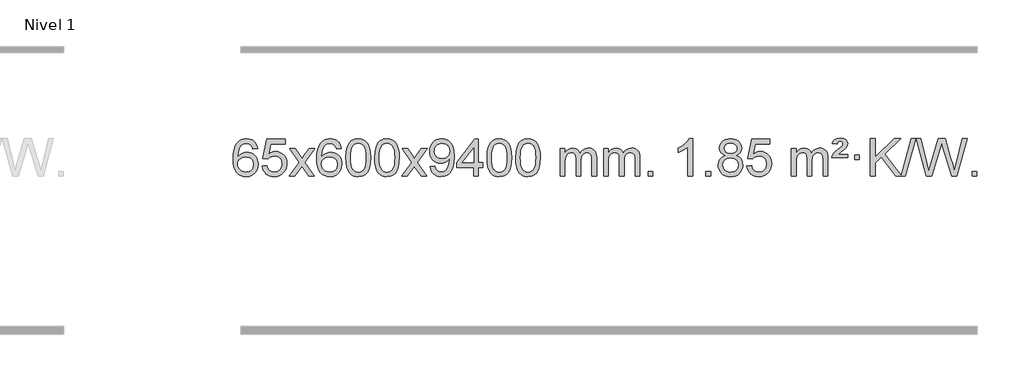
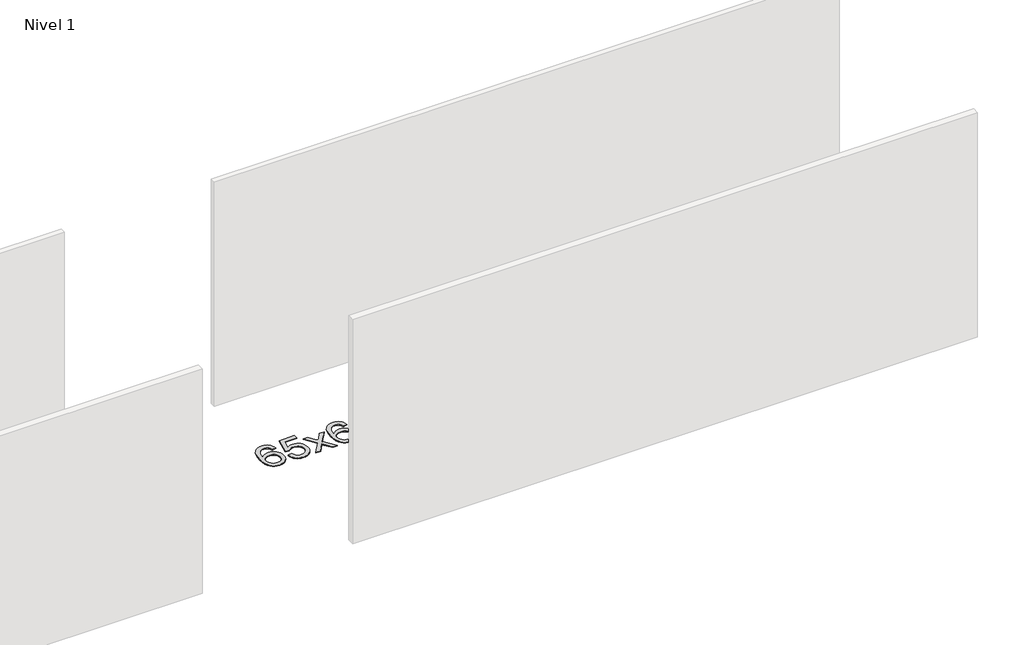
# One storey, part 9 of 12: 1 proxy.
"""IFC4 building model written with IfcOpenShell, lengths in millimetres."""

from ifc_helpers import new_model, si_unit, origin, origin_with_axes, place, context, project, spatial, polyline, outline, extrude, element, save

model = new_model("IFC4")

# Units and contexts
model_context = context("Model", 3, world=origin())
ifc_project = project(units=[si_unit("LENGTHUNIT", "METRE", prefix="MILLI")], contexts=[model_context])

# Site, building, storey
site = spatial("IfcSite", under=ifc_project)
building = spatial("IfcBuilding", under=site)
storey = spatial("IfcBuildingStorey", under=building, Name="Nivel 1", Elevation=0.0)

# Proxy
placement = place(None, origin())
element("IfcBuildingElementProxy", 1, Name="Texto de modelo 1", ObjectType="Texto de modelo 1", at=placement, inside=storey, context=model_context, shape_type="SweptSolid", body=[
    extrude(outline(polyline([(-1652.5741406, -3100.4890419), (-1702.8022957, -3106.7675613), (-1710.8956996, -3081.874213), (-1721.8340576, -3064.8780648), (-1744.6182158, -3049.2062918), (-1772.1603145, -3043.9823675), (-1795.5085585, -3047.0235253), (-1817.4833763, -3056.1469988), (-1836.3557227, -3075.3627017), (-1851.7699783, -3101.8134171), (-1862.1810387, -3139.227016), (-1866.0437997, -3191.3313693), (-1845.8961291, -3167.8237098), (-1821.7508075, -3151.2567573), (-1794.9567355, -3141.434308), (-1766.8628138, -3138.1601582), (-1742.7297549, -3140.398107), (-1720.4606315, -3147.1119534), (-1700.0554435, -3158.3016975), (-1681.5141909, -3173.9673391), (-1666.1060667, -3193.1769106), (-1655.1002637, -3214.9984443), (-1648.4967818, -3239.4319401), (-1646.2956212, -3266.4773982), (-1650.440425, -3302.4439945), (-1662.8748365, -3335.786366), (-1682.568786, -3364.0642287), (-1708.4922039, -3384.8372987), (-1739.4678679, -3397.602804), (-1774.3185556, -3401.8579724), (-1804.2610843, -3399.0375437), (-1831.3034766, -3390.5762579), (-1855.4457325, -3376.4741147), (-1876.6878521, -3356.7311143), (-1894.005897, -3330.5133908), (-1906.3759291, -3296.9870783), (-1913.7979483, -3256.1521768), (-1916.2719548, -3208.0086864), (-1913.5251025, -3154.0342663), (-1905.2845458, -3107.9693092), (-1891.5502847, -3069.8138149), (-1872.3223191, -3039.5677835), (-1851.481804, -3019.5243462), (-1827.3180883, -3005.2076052), (-1799.8311719, -2996.6175606), (-1769.0210548, -2993.7542124), (-1745.8874087, -2995.5261773), (-1724.9487918, -3000.8420722), (-1706.2052042, -3009.7018969), (-1689.6566457, -3022.1056515), (-1675.7507063, -3037.6364031), (-1664.9349757, -3055.8772186), (-1657.2094538, -3076.8280983), (-1652.5741406, -3100.4890419)]), holes=[polyline([(-1866.0437997, -3265.6925832), (-1863.1375319, -3287.9494439), (-1854.4187286, -3309.2007605), (-1840.8806712, -3327.472233), (-1823.516641, -3340.7895612), (-1802.5596301, -3348.9197533), (-1778.2426302, -3351.6298173), (-1745.0964624, -3346.0134855), (-1731.1813259, -3338.9930708), (-1719.0381544, -3329.1644901), (-1709.188114, -3316.9262824), (-1702.1523708, -3302.6769865), (-1696.5237763, -3268.1451299), (-1702.0787944, -3234.9989621), (-1709.0225671, -3221.3781312), (-1718.7438488, -3209.725469), (-1730.9238085, -3200.3904634), (-1745.2436152, -3193.7226022), (-1780.3027693, -3188.3883133), (-1813.3998862, -3193.7226022), (-1841.0768749, -3209.725469), (-1851.9999045, -3221.2248471), (-1859.8020685, -3234.3858254), (-1864.4833669, -3249.2084042), (-1866.0437997, -3265.6925832)])]), origin_with_axes(), (0.0, 0.0, 1.0), 10.0),
    extrude(outline(polyline([(-1602.3459855, -3288.8446235), (-1552.1178305, -3282.5661041), (-1542.8962551, -3312.7201649), (-1526.8075492, -3334.3148381), (-1503.9252891, -3347.3010725), (-1474.3230512, -3351.6298173), (-1455.1931875, -3350.1245668), (-1438.3196666, -3345.6088153), (-1423.7024887, -3338.0825628), (-1411.3416537, -3327.5458094), (-1401.513073, -3314.519721), (-1394.4926583, -3299.5254641), (-1388.8763265, -3263.6324441), (-1394.137039, -3229.8363514), (-1400.7129297, -3215.9181493), (-1409.9191766, -3203.9865099), (-1421.7864366, -3194.4154467), (-1436.3453666, -3187.5789729), (-1473.5382363, -3182.1097939), (-1497.9042871, -3184.2925604), (-1517.6350248, -3190.8408599), (-1533.3926369, -3200.8717757), (-1545.8393111, -3213.5023908), (-1596.0674662, -3207.2238715), (-1552.1178305, -3000.0327318), (-1357.4837296, -3000.0327318), (-1357.4837296, -3050.2608869), (-1511.5036582, -3050.2608869), (-1532.9879667, -3160.919791), (-1515.2621859, -3148.2155994), (-1497.1072095, -3139.1411769), (-1478.5230373, -3133.6965234), (-1459.5096696, -3131.8816388), (-1435.0485826, -3134.1318504), (-1412.5801897, -3140.882485), (-1392.104491, -3152.1335427), (-1373.6214864, -3167.8850234), (-1358.3206611, -3187.1743027), (-1347.3915002, -3209.038756), (-1340.8340036, -3233.4783832), (-1338.6481714, -3260.4931844), (-1340.6163401, -3286.5147042), (-1346.5208461, -3310.7213394), (-1356.3616895, -3333.1130902), (-1370.1388702, -3353.6899565), (-1391.0100421, -3374.7634634), (-1415.3638301, -3389.8159684), (-1443.2002344, -3398.8474714), (-1474.519255, -3401.8579724), (-1500.4396072, -3399.9235262), (-1523.8522305, -3394.1201877), (-1544.7571249, -3384.447957), (-1563.1542903, -3370.9068338), (-1578.461247, -3354.1712688), (-1590.0955151, -3334.915712), (-1598.0570946, -3313.1401636), (-1602.3459855, -3288.8446235)])), origin_with_axes(), (0.0, 0.0, 1.0), 10.0),
    extrude(outline(polyline([(-1313.5340939, -3395.579453), (-1206.2106531, -3247.2494325), (-1307.2555745, -3100.4890419), (-1246.8248254, -3100.4890419), (-1198.0681983, -3171.122385), (-1175.3085655, -3204.4770192), (-1155.5900906, -3177.2047007), (-1100.0644348, -3100.4890419), (-1039.6336857, -3100.4890419), (-1145.7799041, -3247.2494325), (-1043.5577603, -3395.579453), (-1103.9885094, -3395.579453), (-1165.498379, -3306.4048574), (-1176.7800935, -3290.1199477), (-1253.1033448, -3395.579453), (-1313.5340939, -3395.579453)])), origin_with_axes(), (0.0, 0.0, 1.0), 10.0),
    extrude(outline(polyline([(-754.7458687, -3100.4890419), (-804.9740237, -3106.7675613), (-813.0674276, -3081.874213), (-824.0057856, -3064.8780648), (-846.7899439, -3049.2062918), (-874.3320426, -3043.9823675), (-897.6802865, -3047.0235253), (-919.6551044, -3056.1469988), (-938.5274507, -3075.3627017), (-953.9417063, -3101.8134171), (-964.3527668, -3139.227016), (-968.2155277, -3191.3313693), (-948.0678571, -3167.8237098), (-923.9225355, -3151.2567573), (-897.1284635, -3141.434308), (-869.0345418, -3138.1601582), (-844.9014829, -3140.398107), (-822.6323595, -3147.1119534), (-802.2271715, -3158.3016975), (-783.6859189, -3173.9673391), (-768.2777947, -3193.1769106), (-757.2719917, -3214.9984443), (-750.6685099, -3239.4319401), (-748.4673493, -3266.4773982), (-752.6121531, -3302.4439945), (-765.0465645, -3335.786366), (-784.740514, -3364.0642287), (-810.6639319, -3384.8372987), (-841.6395959, -3397.602804), (-876.4902836, -3401.8579724), (-906.4328123, -3399.0375437), (-933.4752046, -3390.5762579), (-957.6174606, -3376.4741147), (-978.8595801, -3356.7311143), (-996.177625, -3330.5133908), (-1008.5476571, -3296.9870783), (-1015.9696764, -3256.1521768), (-1018.4436828, -3208.0086864), (-1015.6968306, -3154.0342663), (-1007.4562739, -3107.9693092), (-993.7220127, -3069.8138149), (-974.4940471, -3039.5677835), (-953.6535321, -3019.5243462), (-929.4898164, -3005.2076052), (-902.0029, -2996.6175606), (-871.1927829, -2993.7542124), (-848.0591367, -2995.5261773), (-827.1205198, -3000.8420722), (-808.3769322, -3009.7018969), (-791.8283738, -3022.1056515), (-777.9224344, -3037.6364031), (-767.1067037, -3055.8772186), (-759.3811818, -3076.8280983), (-754.7458687, -3100.4890419)]), holes=[polyline([(-968.2155277, -3265.6925832), (-965.30926, -3287.9494439), (-956.5904567, -3309.2007605), (-943.0523993, -3327.472233), (-925.6883691, -3340.7895612), (-904.7313581, -3348.9197533), (-880.4143582, -3351.6298173), (-847.2681904, -3346.0134855), (-833.353054, -3338.9930708), (-821.2098825, -3329.1644901), (-811.359842, -3316.9262824), (-804.3240989, -3302.6769865), (-798.6955043, -3268.1451299), (-804.2505225, -3234.9989621), (-811.1942951, -3221.3781312), (-820.9155769, -3209.725469), (-833.0955366, -3200.3904634), (-847.4153432, -3193.7226022), (-882.4744974, -3188.3883133), (-915.5716142, -3193.7226022), (-943.248603, -3209.725469), (-954.1716326, -3221.2248471), (-961.9737965, -3234.3858254), (-966.6550949, -3249.2084042), (-968.2155277, -3265.6925832)])]), origin_with_axes(), (0.0, 0.0, 1.0), 10.0),
    extrude(outline(polyline([(-704.5177136, -3197.9041943), (-700.8266309, -3133.5861588), (-689.7533828, -3082.2911459), (-671.408334, -3043.2343407), (-659.550271, -3028.0009605), (-645.901849, -3015.6309284), (-630.4170827, -3006.0598651), (-613.0499869, -2999.2233914), (-572.6688065, -2993.7542124), (-541.717668, -2996.991574), (-514.003891, -3006.7036586), (-490.8273253, -3022.5103217), (-473.4878206, -3044.0314184), (-460.3912216, -3071.0830078), (-449.9433729, -3103.4811488), (-443.1007678, -3144.6226186), (-440.8198994, -3197.9041943), (-444.4741939, -3261.8543477), (-455.4370774, -3313.0267333), (-473.6717616, -3352.1203266), (-485.5022334, -3367.3996922), (-499.1414584, -3379.8341036), (-514.6446188, -3389.4695462), (-532.066897, -3396.3520052), (-572.6688065, -3401.8579724), (-600.3335326, -3399.4667394), (-624.8589989, -3392.2930405), (-646.2452055, -3380.3368757), (-664.4921525, -3363.5982449), (-682.0033355, -3333.3399508), (-694.5113233, -3295.6381776), (-702.016116, -3250.4929255), (-704.5177136, -3197.9041943)]), holes=[polyline([(-654.2895585, -3197.8060924), (-652.8180305, -3241.4706195), (-648.4034466, -3276.8148822), (-641.0458067, -3303.8388804), (-630.7451108, -3322.5426142), (-618.2861739, -3335.2682656), (-604.4538109, -3344.3580165), (-589.2480218, -3349.8118671), (-572.6688065, -3351.6298173), (-556.0895913, -3349.8057357), (-540.8838021, -3344.3334911), (-527.0514391, -3335.2130833), (-514.5925022, -3322.4445124), (-504.2918063, -3303.7101217), (-496.9341664, -3276.6922549), (-492.5195825, -3241.3909118), (-491.0480545, -3197.8060924), (-492.4705316, -3155.2973278), (-496.7379627, -3120.5753989), (-503.8503479, -3093.6403055), (-513.8076873, -3074.4920476), (-526.0581577, -3061.1440625), (-540.0499363, -3051.6097875), (-555.7830229, -3045.8892225), (-573.2574177, -3043.9823675), (-589.7507938, -3045.6623619), (-604.6990656, -3050.7023452), (-618.1022329, -3059.1023175), (-629.9602959, -3070.8622786), (-640.6043483, -3091.708925), (-648.2072429, -3119.8151094), (-652.7689796, -3155.1808319), (-654.2895585, -3197.8060924)])]), origin_with_axes(), (0.0, 0.0, 1.0), 10.0),
    extrude(outline(polyline([(-396.8702638, -3197.9041943), (-393.1791811, -3133.5861588), (-382.105933, -3082.2911459), (-363.7608842, -3043.2343407), (-351.9028212, -3028.0009605), (-338.2543992, -3015.6309284), (-322.7696329, -3006.0598651), (-305.402537, -2999.2233914), (-265.0213567, -2993.7542124), (-234.0702182, -2996.991574), (-206.3564412, -3006.7036586), (-183.1798755, -3022.5103217), (-165.8403708, -3044.0314184), (-152.7437718, -3071.0830078), (-142.2959231, -3103.4811488), (-135.453318, -3144.6226186), (-133.1724496, -3197.9041943), (-136.8267441, -3261.8543477), (-147.7896275, -3313.0267333), (-166.0243118, -3352.1203266), (-177.8547836, -3367.3996922), (-191.4940086, -3379.8341036), (-206.997169, -3389.4695462), (-224.4194471, -3396.3520052), (-265.0213567, -3401.8579724), (-292.6860827, -3399.4667394), (-317.2115491, -3392.2930405), (-338.5977557, -3380.3368757), (-356.8447027, -3363.5982449), (-374.3558856, -3333.3399508), (-386.8638735, -3295.6381776), (-394.3686662, -3250.4929255), (-396.8702638, -3197.9041943)]), holes=[polyline([(-346.6421087, -3197.8060924), (-345.1705807, -3241.4706195), (-340.7559968, -3276.8148822), (-333.3983568, -3303.8388804), (-323.097661, -3322.5426142), (-310.6387241, -3335.2682656), (-296.8063611, -3344.3580165), (-281.6005719, -3349.8118671), (-265.0213567, -3351.6298173), (-248.4421414, -3349.8057357), (-233.2363523, -3344.3334911), (-219.4039893, -3335.2130833), (-206.9450524, -3322.4445124), (-196.6443565, -3303.7101217), (-189.2867166, -3276.6922549), (-184.8721327, -3241.3909118), (-183.4006047, -3197.8060924), (-184.8230817, -3155.2973278), (-189.0905129, -3120.5753989), (-196.2028981, -3093.6403055), (-206.1602375, -3074.4920476), (-218.4107079, -3061.1440625), (-232.4024864, -3051.6097875), (-248.1355731, -3045.8892225), (-265.6099679, -3043.9823675), (-282.103344, -3045.6623619), (-297.0516157, -3050.7023452), (-310.4547831, -3059.1023175), (-322.3128461, -3070.8622786), (-332.9568985, -3091.708925), (-340.559793, -3119.8151094), (-345.1215298, -3155.1808319), (-346.6421087, -3197.8060924)])]), origin_with_axes(), (0.0, 0.0, 1.0), 10.0),
    extrude(outline(polyline([(-108.0583721, -3395.579453), (-0.7349313, -3247.2494325), (-101.7798527, -3100.4890419), (-41.3491036, -3100.4890419), (7.4075235, -3171.122385), (30.1671563, -3204.4770192), (49.8856312, -3177.2047007), (105.411287, -3100.4890419), (165.8420361, -3100.4890419), (59.6958177, -3247.2494325), (161.9179615, -3395.579453), (101.4872124, -3395.579453), (39.9773428, -3306.4048574), (28.6956283, -3290.1199477), (-47.627623, -3395.579453), (-108.0583721, -3395.579453)])), origin_with_axes(), (0.0, 0.0, 1.0), 10.0),
    extrude(outline(polyline([(199.5890778, -3295.1231428), (249.8172328, -3288.8446235), (258.4011461, -3317.3554781), (272.3806619, -3336.7673847), (291.4124238, -3347.9142092), (315.1530752, -3351.6298173), (336.4534427, -3349.2385843), (355.8162984, -3342.0648854), (371.9050043, -3330.8935355), (383.3829226, -3316.5093495), (399.814985, -3272.8540194), (405.2596385, -3244.4535294), (407.074523, -3214.5815114), (406.7802174, -3204.7713248), (389.3793991, -3226.0103787), (366.6075036, -3242.8348486), (340.1077372, -3253.7977321), (311.5233062, -3257.4520265), (287.6630931, -3255.2202091), (265.7219978, -3248.5247568), (245.7000202, -3237.3656696), (227.5971603, -3221.7429475), (212.596772, -3202.4720624), (201.8822089, -3180.3684858), (195.453471, -3155.4322179), (193.3105584, -3127.6632586), (195.5577042, -3098.968463), (202.2991418, -3073.2167234), (213.5348711, -3050.4080397), (229.264892, -3030.5424119), (248.3794274, -3014.4475746), (269.7686997, -3002.9512623), (293.432709, -2996.0534749), (319.3714554, -2993.7542124), (356.8341052, -2999.0026622), (390.9367662, -3014.7480116), (419.4598835, -3040.2054457), (440.1839026, -3074.5901495), (452.802255, -3122.1205032), (457.0083725, -3187.0148872), (452.8145178, -3255.821083), (440.2329535, -3309.0045568), (419.3740444, -3348.9688042), (405.8819722, -3364.8950289), (390.348155, -3378.117321), (373.0852924, -3388.503856), (354.4060841, -3395.9228095), (312.7986304, -3401.8579724), (290.2413327, -3400.1074672), (269.8545388, -3394.8559517), (251.6382487, -3386.1034259), (235.5924624, -3373.8498898), (222.12185, -3358.4264372), (211.6310817, -3340.1641618), (204.1201577, -3319.0630637), (199.5890778, -3295.1231428)]), holes=[polyline([(406.7802174, -3126.4860363), (401.3600894, -3092.444689), (394.5849293, -3078.3670713), (385.0997052, -3066.2514909), (373.3704009, -3056.5087494), (359.8630003, -3049.5496483), (327.5139102, -3043.9823675), (309.9046254, -3045.4814866), (293.9630723, -3049.978844), (279.6892508, -3057.4744396), (267.0831611, -3067.9682736), (256.7824653, -3080.8472091), (249.4248254, -3095.4981095), (245.0102414, -3111.9209749), (243.5387135, -3130.1158053), (249.1059943, -3161.1527829), (256.0650954, -3174.2708417), (265.8078369, -3185.7886139), (277.9295486, -3195.1665391), (292.0255604, -3201.8650571), (326.1404841, -3207.2238715), (358.2320568, -3201.8650571), (384.0696356, -3185.7886139), (394.0055152, -3174.0439812), (401.102572, -3160.2453407), (406.7802174, -3126.4860363)])]), origin_with_axes(), (0.0, 0.0, 1.0), 10.0),
    extrude(outline(polyline([(664.1995122, -3395.579453), (664.1995122, -3301.4016622), (482.1224501, -3301.4016622), (482.1224501, -3251.1735072), (676.756551, -3000.0327318), (714.4276673, -3000.0327318), (714.4276673, -3251.1735072), (764.6558224, -3251.1735072), (764.6558224, -3301.4016622), (714.4276673, -3301.4016622), (714.4276673, -3395.579453), (664.1995122, -3395.579453)]), holes=[polyline([(664.1995122, -3251.1735072), (664.1995122, -3095.9763561), (543.9266252, -3251.1735072), (664.1995122, -3251.1735072)])]), origin_with_axes(), (0.0, 0.0, 1.0), 10.0),
    extrude(outline(polyline([(808.605458, -3197.9041943), (812.2965407, -3133.5861588), (823.3697888, -3082.2911459), (841.7148376, -3043.2343407), (853.5729006, -3028.0009605), (867.2213226, -3015.6309284), (882.7060889, -3006.0598651), (900.0731848, -2999.2233914), (940.4543651, -2993.7542124), (971.4055036, -2996.991574), (999.1192806, -3006.7036586), (1022.2958463, -3022.5103217), (1039.635351, -3044.0314184), (1052.73195, -3071.0830078), (1063.1797987, -3103.4811488), (1070.0224038, -3144.6226186), (1072.3032722, -3197.9041943), (1068.6489777, -3261.8543477), (1057.6860942, -3313.0267333), (1039.45141, -3352.1203266), (1027.6209382, -3367.3996922), (1013.9817132, -3379.8341036), (998.4785528, -3389.4695462), (981.0562747, -3396.3520052), (940.4543651, -3401.8579724), (912.7896391, -3399.4667394), (888.2641727, -3392.2930405), (866.8779661, -3380.3368757), (848.6310191, -3363.5982449), (831.1198361, -3333.3399508), (818.6118483, -3295.6381776), (811.1070556, -3250.4929255), (808.605458, -3197.9041943)]), holes=[polyline([(858.8336131, -3197.8060924), (860.3051411, -3241.4706195), (864.719725, -3276.8148822), (872.0773649, -3303.8388804), (882.3780608, -3322.5426142), (894.8369977, -3335.2682656), (908.6693607, -3344.3580165), (923.8751499, -3349.8118671), (940.4543651, -3351.6298173), (957.0335804, -3349.8057357), (972.2393695, -3344.3334911), (986.0717325, -3335.2130833), (998.5306694, -3322.4445124), (1008.8313653, -3303.7101217), (1016.1890052, -3276.6922549), (1020.6035891, -3241.3909118), (1022.0751171, -3197.8060924), (1020.6526401, -3155.2973278), (1016.3852089, -3120.5753989), (1009.2728237, -3093.6403055), (999.3154843, -3074.4920476), (987.0650139, -3061.1440625), (973.0732354, -3051.6097875), (957.3401487, -3045.8892225), (939.8657539, -3043.9823675), (923.3723778, -3045.6623619), (908.4241061, -3050.7023452), (895.0209387, -3059.1023175), (883.1628757, -3070.8622786), (872.5188233, -3091.708925), (864.9159288, -3119.8151094), (860.354192, -3155.1808319), (858.8336131, -3197.8060924)])]), origin_with_axes(), (0.0, 0.0, 1.0), 10.0),
    extrude(outline(polyline([(1116.2529079, -3197.9041943), (1119.9439906, -3133.5861588), (1131.0172386, -3082.2911459), (1149.3622874, -3043.2343407), (1161.2203504, -3028.0009605), (1174.8687724, -3015.6309284), (1190.3535388, -3006.0598651), (1207.7206346, -2999.2233914), (1248.1018149, -2993.7542124), (1279.0529535, -2996.991574), (1306.7667304, -3006.7036586), (1329.9432961, -3022.5103217), (1347.2828008, -3044.0314184), (1360.3793999, -3071.0830078), (1370.8272485, -3103.4811488), (1377.6698537, -3144.6226186), (1379.950722, -3197.9041943), (1376.2964275, -3261.8543477), (1365.3335441, -3313.0267333), (1347.0988599, -3352.1203266), (1335.268388, -3367.3996922), (1321.6291631, -3379.8341036), (1306.1260026, -3389.4695462), (1288.7037245, -3396.3520052), (1248.1018149, -3401.8579724), (1220.4370889, -3399.4667394), (1195.9116226, -3392.2930405), (1174.5254159, -3380.3368757), (1156.278469, -3363.5982449), (1138.767286, -3333.3399508), (1126.2592981, -3295.6381776), (1118.7545054, -3250.4929255), (1116.2529079, -3197.9041943)]), holes=[polyline([(1166.481063, -3197.8060924), (1167.9525909, -3241.4706195), (1172.3671749, -3276.8148822), (1179.7248148, -3303.8388804), (1190.0255106, -3322.5426142), (1202.4844475, -3335.2682656), (1216.3168106, -3344.3580165), (1231.5225997, -3349.8118671), (1248.1018149, -3351.6298173), (1264.6810302, -3349.8057357), (1279.8868193, -3344.3334911), (1293.7191824, -3335.2130833), (1306.1781193, -3322.4445124), (1316.4788151, -3303.7101217), (1323.836455, -3276.6922549), (1328.251039, -3241.3909118), (1329.7225669, -3197.8060924), (1328.3000899, -3155.2973278), (1324.0326588, -3120.5753989), (1316.9202735, -3093.6403055), (1306.9629342, -3074.4920476), (1294.7124637, -3061.1440625), (1280.7206852, -3051.6097875), (1264.9875985, -3045.8892225), (1247.5132038, -3043.9823675), (1231.0198276, -3045.6623619), (1216.0715559, -3050.7023452), (1202.6683885, -3059.1023175), (1190.8103256, -3070.8622786), (1180.1662732, -3091.708925), (1172.5633786, -3119.8151094), (1168.0016419, -3155.1808319), (1166.481063, -3197.8060924)])]), origin_with_axes(), (0.0, 0.0, 1.0), 10.0),
    extrude(outline(polyline([(1593.4203811, -3395.579453), (1593.4203811, -3100.4890419), (1643.6485362, -3100.4890419), (1643.6485362, -3149.0494653), (1658.7562234, -3126.7435537), (1678.1803928, -3109.2691589), (1701.2588566, -3097.9751816), (1727.3294273, -3094.2105225), (1755.2639335, -3098.048758), (1777.6556843, -3109.5634645), (1794.3820523, -3127.9943524), (1805.3204103, -3152.5811324), (1823.6286709, -3127.0439906), (1844.5121055, -3108.803175), (1867.9707141, -3097.8586857), (1894.0044966, -3094.2105225), (1914.1123133, -3095.7280358), (1931.7614521, -3100.2805755), (1946.9519128, -3107.8681416), (1959.6836955, -3118.4907342), (1969.7483337, -3132.2709806), (1976.9373611, -3149.3315082), (1981.2507775, -3169.6723168), (1982.6885829, -3193.2934066), (1982.6885829, -3395.579453), (1932.4604278, -3395.579453), (1932.4604278, -3214.875817), (1931.2954682, -3189.8230531), (1927.8005892, -3172.9372695), (1921.2522897, -3161.3735121), (1910.9270684, -3152.2868268), (1897.6465284, -3146.4007149), (1882.2322728, -3144.4386776), (1855.0212679, -3149.4663982), (1832.8379835, -3164.54956), (1824.2326105, -3176.1194488), (1818.0859155, -3190.7182326), (1813.1685595, -3229.0024856), (1813.1685595, -3395.579453), (1762.9404045, -3395.579453), (1762.9404045, -3209.2840106), (1760.0341367, -3180.8835206), (1751.3153334, -3160.6254854), (1735.9746542, -3148.4853796), (1713.2027587, -3144.4386776), (1693.8521658, -3147.1364789), (1676.0221517, -3155.2298828), (1661.3068719, -3168.5226856), (1651.3004817, -3186.8186835), (1645.5615225, -3212.2025411), (1643.6485362, -3246.7589232), (1643.6485362, -3395.579453), (1593.4203811, -3395.579453)])), origin_with_axes(), (0.0, 0.0, 1.0), 10.0),
    extrude(outline(polyline([(2058.0308155, -3395.579453), (2058.0308155, -3100.4890419), (2108.2589706, -3100.4890419), (2108.2589706, -3149.0494653), (2123.3666579, -3126.7435537), (2142.7908272, -3109.2691589), (2165.869291, -3097.9751816), (2191.9398618, -3094.2105225), (2219.8743679, -3098.048758), (2242.2661187, -3109.5634645), (2258.9924868, -3127.9943524), (2269.9308448, -3152.5811324), (2288.2391054, -3127.0439906), (2309.12254, -3108.803175), (2332.5811485, -3097.8586857), (2358.6149311, -3094.2105225), (2378.7227478, -3095.7280358), (2396.3718865, -3100.2805755), (2411.5623472, -3107.8681416), (2424.2941299, -3118.4907342), (2434.3587682, -3132.2709806), (2441.5477955, -3149.3315082), (2445.8612119, -3169.6723168), (2447.2990174, -3193.2934066), (2447.2990174, -3395.579453), (2397.0708623, -3395.579453), (2397.0708623, -3214.875817), (2395.9059026, -3189.8230531), (2392.4110237, -3172.9372695), (2385.8627242, -3161.3735121), (2375.5375028, -3152.2868268), (2362.2569628, -3146.4007149), (2346.8427072, -3144.4386776), (2319.6317023, -3149.4663982), (2297.448418, -3164.54956), (2288.843045, -3176.1194488), (2282.69635, -3190.7182326), (2277.778994, -3229.0024856), (2277.778994, -3395.579453), (2227.5508389, -3395.579453), (2227.5508389, -3209.2840106), (2224.6445711, -3180.8835206), (2215.9257679, -3160.6254854), (2200.5850887, -3148.4853796), (2177.8131932, -3144.4386776), (2158.4626002, -3147.1364789), (2140.6325862, -3155.2298828), (2125.9173064, -3168.5226856), (2115.9109161, -3186.8186835), (2110.171957, -3212.2025411), (2108.2589706, -3246.7589232), (2108.2589706, -3395.579453), (2058.0308155, -3395.579453)])), origin_with_axes(), (0.0, 0.0, 1.0), 10.0),
    extrude(outline(polyline([(2535.1982887, -3395.579453), (2535.1982887, -3345.3512979), (2585.4264438, -3345.3512979), (2585.4264438, -3395.579453), (2535.1982887, -3395.579453)])), origin_with_axes(), (0.0, 0.0, 1.0), 10.0),
    extrude(outline(polyline([(3012.365762, -3395.579453), (2962.1376069, -3395.579453), (2962.1376069, -3082.4382987), (2941.1683332, -3099.3976587), (2914.5582022, -3116.3324932), (2861.6812967, -3141.6918254), (2861.6812967, -3094.2105225), (2901.1305093, -3072.7507395), (2935.3067467, -3047.219729), (2962.2479715, -3020.0700378), (2979.9921464, -2993.7542124), (3012.365762, -2993.7542124), (3012.365762, -3395.579453)])), origin_with_axes(), (0.0, 0.0, 1.0), 10.0),
    extrude(outline(polyline([(3156.7717078, -3395.579453), (3156.7717078, -3345.3512979), (3206.9998629, -3345.3512979), (3206.9998629, -3395.579453), (3156.7717078, -3395.579453)])), origin_with_axes(), (0.0, 0.0, 1.0), 10.0),
    extrude(outline(polyline([(3361.8046064, -3174.2616447), (3334.9124326, -3161.0178929), (3316.0400862, -3143.0652515), (3304.8932618, -3120.7716026), (3301.1776536, -3094.5048281), (3303.2010046, -3074.0199324), (3309.2710575, -3055.2395565), (3319.3878124, -3038.1637006), (3333.5512692, -3022.7923645), (3351.0808463, -3010.088173), (3371.2959619, -3001.0137504), (3394.1966161, -2995.5690969), (3419.7828089, -2993.7542124), (3445.491629, -2995.6120165), (3468.5639614, -3001.1854287), (3488.9998063, -3010.4744491), (3506.7991635, -3023.4790776), (3521.2201377, -3039.1508506), (3531.5208335, -3056.4413044), (3537.7012511, -3075.3504389), (3539.7613902, -3095.8782543), (3536.094833, -3121.2989001), (3525.0951614, -3143.2124043), (3506.6397479, -3161.0546811), (3480.6059654, -3174.2616447), (3511.5203157, -3190.1909351), (3534.0224311, -3213.6495436), (3547.7444295, -3243.5092989), (3552.318429, -3278.6420295), (3550.0498234, -3303.6947933), (3543.2440065, -3326.6628926), (3531.9009783, -3347.5463272), (3516.0207388, -3366.3450971), (3496.4371539, -3381.88198), (3473.9840895, -3392.9797536), (3448.6615455, -3399.6384177), (3420.4695219, -3401.8579724), (3392.2774984, -3399.6292206), (3366.9549544, -3392.9429654), (3344.5018899, -3381.7992066), (3324.9183051, -3366.1979443), (3309.0380656, -3347.26735), (3297.6950374, -3326.135595), (3290.8892205, -3302.8026795), (3288.6206149, -3277.2686033), (3293.3785553, -3240.7747094), (3307.6523767, -3210.7555386), (3330.7063151, -3188.2411605), (3361.8046064, -3174.2616447)]), holes=[polyline([(3351.4058087, -3095.9763561), (3355.8571808, -3117.902123), (3369.2112973, -3135.413306), (3391.0757505, -3146.8912243), (3421.0581331, -3150.717197), (3450.3415399, -3146.9157497), (3471.8748994, -3135.5114079), (3485.1186512, -3118.5888361), (3489.5332352, -3098.232699), (3484.9714984, -3077.1040098), (3471.2862882, -3059.629615), (3449.4586232, -3047.8941794), (3420.4695219, -3043.9823675), (3391.2964797, -3047.8083402), (3369.5056029, -3059.2862585), (3355.9307572, -3076.1107284), (3351.4058087, -3095.9763561)]), polyline([(3338.8487699, -3275.5027698), (3340.9456973, -3294.7184726), (3347.2364794, -3313.3210389), (3358.8492877, -3329.5446349), (3376.9122937, -3341.623427), (3398.543755, -3349.1282197), (3420.8619294, -3351.6298173), (3455.0504295, -3346.3691048), (3468.9441062, -3339.7932141), (3480.7040673, -3330.5869672), (3496.7437223, -3306.6869002), (3502.0902739, -3277.0723996), (3496.572044, -3246.9551269), (3480.0173542, -3222.5277625), (3467.938562, -3213.0854579), (3453.7751052, -3206.3409547), (3419.1941977, -3200.9453521), (3385.4839442, -3206.2673783), (3371.7466174, -3212.919911), (3360.0878238, -3222.2334569), (3344.1585334, -3246.1948375), (3338.8487699, -3275.5027698)])]), origin_with_axes(), (0.0, 0.0, 1.0), 10.0),
    extrude(outline(polyline([(3596.2680647, -3288.8446235), (3646.4962198, -3282.5661041), (3655.7177951, -3312.7201649), (3671.806501, -3334.3148381), (3694.6887611, -3347.3010725), (3724.290999, -3351.6298173), (3743.4208628, -3350.1245668), (3760.2943836, -3345.6088153), (3774.9115616, -3338.0825628), (3787.2723966, -3327.5458094), (3797.1009772, -3314.519721), (3804.121392, -3299.5254641), (3809.7377238, -3263.6324441), (3804.4770112, -3229.8363514), (3797.9011206, -3215.9181493), (3788.6948736, -3203.9865099), (3776.8276136, -3194.4154467), (3762.2686837, -3187.5789729), (3725.0758139, -3182.1097939), (3700.7097631, -3184.2925604), (3680.9790255, -3190.8408599), (3665.2214133, -3200.8717757), (3652.7747392, -3213.5023908), (3602.5465841, -3207.2238715), (3646.4962198, -3000.0327318), (3841.1303207, -3000.0327318), (3841.1303207, -3050.2608869), (3687.110392, -3050.2608869), (3665.6260835, -3160.919791), (3683.3518643, -3148.2155994), (3701.5068408, -3139.1411769), (3720.0910129, -3133.6965234), (3739.1043807, -3131.8816388), (3763.5654677, -3134.1318504), (3786.0338605, -3140.882485), (3806.5095593, -3152.1335427), (3824.9925638, -3167.8850234), (3840.2933891, -3187.1743027), (3851.2225501, -3209.038756), (3857.7800467, -3233.4783832), (3859.9658788, -3260.4931844), (3857.9977102, -3286.5147042), (3852.0932041, -3310.7213394), (3842.2523608, -3333.1130902), (3828.4751801, -3353.6899565), (3807.6040082, -3374.7634634), (3783.2502201, -3389.8159684), (3755.4138158, -3398.8474714), (3724.0947953, -3401.8579724), (3698.174443, -3399.9235262), (3674.7618197, -3394.1201877), (3653.8569254, -3384.447957), (3635.4597599, -3370.9068338), (3620.1528032, -3354.1712688), (3608.5185351, -3334.915712), (3600.5569556, -3313.1401636), (3596.2680647, -3288.8446235)])), origin_with_axes(), (0.0, 0.0, 1.0), 10.0),
    extrude(outline(polyline([(4073.4355379, -3395.579453), (4073.4355379, -3100.4890419), (4123.663693, -3100.4890419), (4123.663693, -3149.0494653), (4138.7713803, -3126.7435537), (4158.1955496, -3109.2691589), (4181.2740134, -3097.9751816), (4207.3445842, -3094.2105225), (4235.2790903, -3098.048758), (4257.6708411, -3109.5634645), (4274.3972091, -3127.9943524), (4285.3355671, -3152.5811324), (4303.6438278, -3127.0439906), (4324.5272623, -3108.803175), (4347.9858709, -3097.8586857), (4374.0196534, -3094.2105225), (4394.1274702, -3095.7280358), (4411.7766089, -3100.2805755), (4426.9670696, -3107.8681416), (4439.6988523, -3118.4907342), (4449.7634906, -3132.2709806), (4456.9525179, -3149.3315082), (4461.2659343, -3169.6723168), (4462.7037397, -3193.2934066), (4462.7037397, -3395.579453), (4412.4755847, -3395.579453), (4412.4755847, -3214.875817), (4411.310625, -3189.8230531), (4407.8157461, -3172.9372695), (4401.2674465, -3161.3735121), (4390.9422252, -3152.2868268), (4377.6616852, -3146.4007149), (4362.2474296, -3144.4386776), (4335.0364247, -3149.4663982), (4312.8531404, -3164.54956), (4304.2477674, -3176.1194488), (4298.1010724, -3190.7182326), (4293.1837164, -3229.0024856), (4293.1837164, -3395.579453), (4242.9555613, -3395.579453), (4242.9555613, -3209.2840106), (4240.0492935, -3180.8835206), (4231.3304902, -3160.6254854), (4215.989811, -3148.4853796), (4193.2179155, -3144.4386776), (4173.8673226, -3147.1364789), (4156.0373086, -3155.2298828), (4141.3220287, -3168.5226856), (4131.3156385, -3186.8186835), (4125.5766794, -3212.2025411), (4123.663693, -3246.7589232), (4123.663693, -3395.579453), (4073.4355379, -3395.579453)])), origin_with_axes(), (0.0, 0.0, 1.0), 10.0),
    extrude(outline(polyline([(4506.6533754, -3194.6668327), (4510.4793482, -3178.8479069), (4518.8180067, -3162.9799302), (4540.3268407, -3137.8413272), (4572.2835234, -3110.1030247), (4616.4293628, -3072.726214), (4623.5662735, -3061.1992448), (4625.9452437, -3049.3779701), (4624.0567828, -3037.2869152), (4618.3914001, -3027.5012541), (4609.022672, -3021.026531), (4596.0241748, -3018.8682899), (4583.5897634, -3020.4869707), (4574.73607, -3025.343013), (4568.3103978, -3034.8098431), (4563.1600499, -3050.2608869), (4512.9318948, -3043.9823675), (4523.7721509, -3018.7701881), (4540.4004171, -3001.2099542), (4564.165594, -2990.9092583), (4596.4165822, -2987.475693), (4632.1992376, -2991.6082341), (4656.9454332, -3004.0058573), (4671.3664074, -3022.3386434), (4676.1733988, -3044.2766731), (4672.0776459, -3067.1834586), (4659.7903873, -3088.8149199), (4639.262572, -3108.6314968), (4602.7932035, -3136.6886303), (4577.1886166, -3163.2742358), (4676.1733988, -3163.2742358), (4676.1733988, -3194.6668327), (4506.6533754, -3194.6668327)])), origin_with_axes(), (0.0, 0.0, 1.0), 10.0),
    extrude(outline(polyline([(4751.5156314, -3219.7809102), (4751.5156314, -3169.5527552), (4801.7437865, -3169.5527552), (4801.7437865, -3219.7809102), (4751.5156314, -3219.7809102)])), origin_with_axes(), (0.0, 0.0, 1.0), 10.0),
    extrude(outline(polyline([(5192.3854144, -3395.579453), (5038.954097, -3192.9009991), (4971.2638099, -3257.4520265), (4971.2638099, -3395.579453), (4921.0356548, -3395.579453), (4921.0356548, -2993.7542124), (4971.2638099, -2993.7542124), (4971.2638099, -3190.4484525), (5177.2777272, -2993.7542124), (5247.5186628, -2993.7542124), (5074.5650741, -3158.9577537), (5249.218684, -3389.5349332), (5360.5320117, -2993.7542124), (5405.8550735, -2993.7542124), (5292.8417246, -3395.579453), (5253.7971822, -3395.579453), (5247.5186628, -3395.579453), (5192.3854144, -3395.579453)])), origin_with_axes(), (0.0, 0.0, 1.0), 10.0),
    extrude(outline(polyline([(5520.3399504, -3395.579453), (5410.7601668, -2993.7542124), (5462.5579517, -2993.7542124), (5526.1279605, -3257.844434), (5545.7483335, -3339.3670841), (5566.7421327, -3267.2622131), (5646.4008474, -2993.7542124), (5721.056367, -2993.7542124), (5778.9364675, -3192.0180823), (5803.731714, -3265.5944814), (5822.0031864, -3339.3670841), (5841.0349483, -3260.1988788), (5905.1935683, -2993.7542124), (5956.9913532, -2993.7542124), (5847.3134677, -3395.579453), (5793.6517474, -3395.579453), (5697.3157155, -3085.5775584), (5683.87576, -3042.3146358), (5668.7680727, -3094.4067263), (5580.9669032, -3395.579453), (5520.3399504, -3395.579453)])), origin_with_axes(), (0.0, 0.0, 1.0), 10.0),
    extrude(outline(polyline([(6013.4980277, -3395.579453), (6013.4980277, -3345.3512979), (6063.7261827, -3345.3512979), (6063.7261827, -3395.579453), (6013.4980277, -3395.579453)])), origin_with_axes(), (0.0, 0.0, 1.0), 10.0),
])

save(model, "model.ifc")
